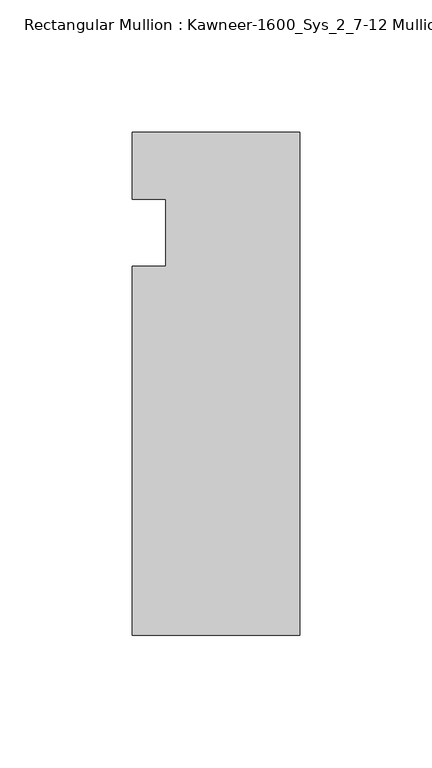
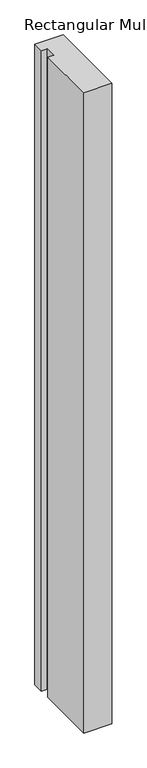
"""IFC4 building model written with IfcOpenShell, lengths in millimetres: member geometry, Rectangular Mullion : Kawneer-1600_Sys_2_7-12 Mullion_Head."""

from ifc_helpers import new_model, si_unit, frame, origin, place, context, project, spatial, polyline, outline, extrude, source, transform, mapped, element, save


def rectangular_mullion_kawneer_1600_sys_2_7_12_mullion_head_2a9d40a2(model_context):
    return source(origin(), model_context, "Body", "SweptSolid", [
        extrude(outline(polyline([(-63.5, -152.4), (-63.5, -12.7), (-50.7982296, -12.7), (-50.7982296, 12.7), (-63.5, 12.7), (-63.5, 38.1), (0.0, 38.1), (0.0, -152.4), (-63.5, -152.4)])), frame((0.0, 0.0, -1524.0), z_axis=(0.0, 0.0, 1.0), x_axis=(1.0, 0.0, 0.0)), (0.0, 0.0, 1.0), 1524.0),
    ])


if __name__ == "__main__":
    model = new_model("IFC4")
    model_context = context("Model", 3, world=origin())
    ifc_project = project(units=[si_unit("LENGTHUNIT", "METRE", prefix="MILLI")], contexts=[model_context])
    site = spatial("IfcSite", under=ifc_project)
    building = spatial("IfcBuilding", under=site)
    placement = place(None, origin())
    rectangular_mullion_kawneer_1600_sys_2_7_12_mullion_head_shape = rectangular_mullion_kawneer_1600_sys_2_7_12_mullion_head_2a9d40a2(model_context)
    element("IfcMember", 1, ObjectType="Rectangular Mullion : Kawneer-1600_Sys_2_7-12 Mullion_Head", at=placement, inside=building, context=model_context, shape_type="MappedRepresentation", body=[
        mapped(rectangular_mullion_kawneer_1600_sys_2_7_12_mullion_head_shape, transform((0.0, 0.0, 0.0), x_axis=(1.0, 0.0, 0.0), y_axis=(0.0, 1.0, 0.0), z_axis=(0.0, 0.0, 1.0))),
    ])
    save(model, "model.ifc")
